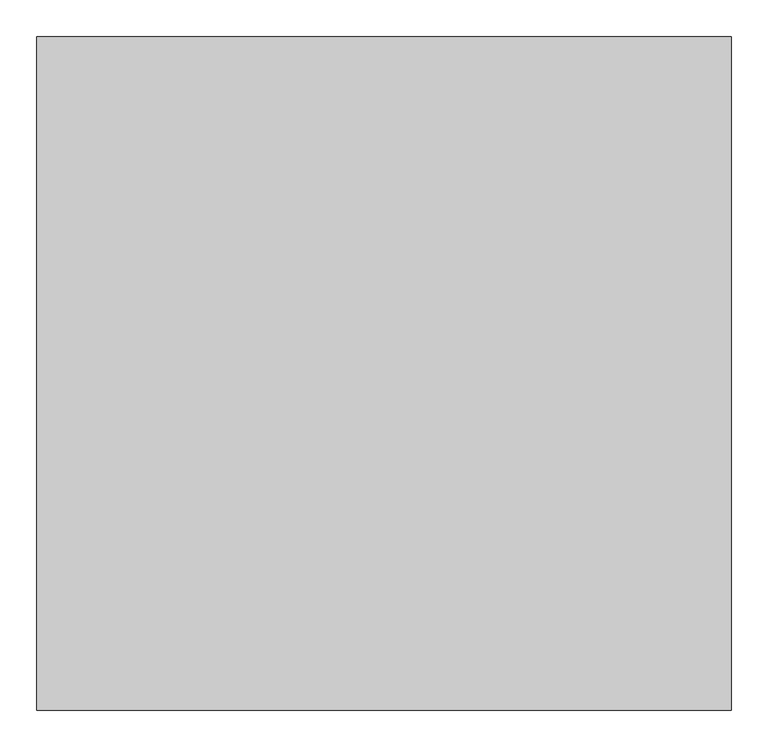
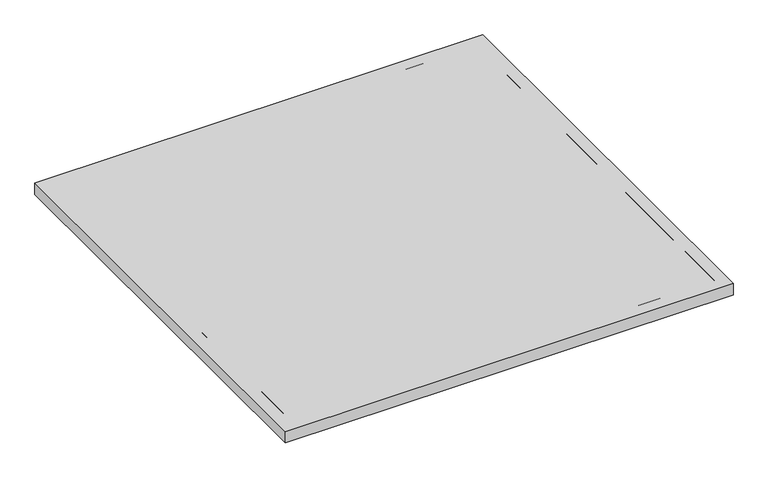
"""IFC4 building model written with IfcOpenShell, lengths in millimetres: proxy geometry."""

from ifc_helpers import new_model, si_unit, frame, origin, origin_with_axes, place, context, project, spatial, polyline, outline, extrude, faceted_brep, source, transform, mapped, element, save


def specialty_equipment_3b76d5e2(model_context):
    return source(origin(), model_context, "Body", "SolidModel", [
        extrude(outline(polyline([(471.4875, 914.4), (471.4875, 0.0), (-471.4875, 0.0), (-471.4875, 914.4), (471.4875, 914.4)])), origin_with_axes(), (0.0, 0.0, 1.0), 25.4),
        extrude(outline(polyline([(446.0875, 889.0), (446.0875, 25.4), (-446.0875, 25.4), (-446.0875, 889.0), (446.0875, 889.0)])), frame((0.0, 0.0, 12.7), z_axis=(0.0, 0.0, 1.0), x_axis=(1.0, 0.0, 0.0)), (0.0, 0.0, 1.0), 12.7),
        faceted_brep([(471.4875, 914.4, 25.4), (471.4875, 914.4, 0.0), (-471.4875, 914.4, 0.0), (-471.4875, 914.4, 25.4), (471.4875, 0.0, 25.4), (-471.4875, 0.0, 25.4), (-471.4875, 0.0, 0.0), (471.4875, 0.0, 0.0), (446.0875, 889.0, 25.4), (446.0875, 25.4, 25.4), (-446.0875, 25.4, 25.4), (-446.0875, 889.0, 25.4), (-446.0875, 889.0, 12.7), (446.0875, 889.0, 12.7), (446.0875, 25.4, 12.7), (-446.0875, 25.4, 12.7)], [[[0, 1, 2, 3]], [[4, 5, 6, 7]], [[3, 5, 4, 0], [8, 9, 10, 11]], [[2, 6, 5, 3]], [[1, 7, 6, 2]], [[0, 4, 7, 1]], [[8, 11, 12, 13]], [[10, 9, 14, 15]], [[11, 10, 15, 12]], [[12, 15, 14, 13]], [[13, 14, 9, 8]]]),
    ])


if __name__ == "__main__":
    model = new_model("IFC4")
    model_context = context("Model", 3, world=origin())
    ifc_project = project(units=[si_unit("LENGTHUNIT", "METRE", prefix="MILLI")], contexts=[model_context])
    site = spatial("IfcSite", under=ifc_project)
    building = spatial("IfcBuilding", under=site)
    placement = place(None, origin())
    specialty_equipment_shape = specialty_equipment_3b76d5e2(model_context)
    element("IfcBuildingElementProxy", 1, Name="Specialty Equipment", at=placement, inside=building, context=model_context, shape_type="MappedRepresentation", body=[
        mapped(specialty_equipment_shape, transform((0.0, 0.0, 0.0), x_axis=(1.0, 0.0, 0.0), y_axis=(0.0, 1.0, 0.0), z_axis=(0.0, 0.0, 1.0))),
    ])
    save(model, "model.ifc")
